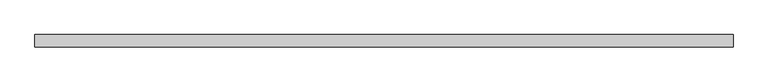
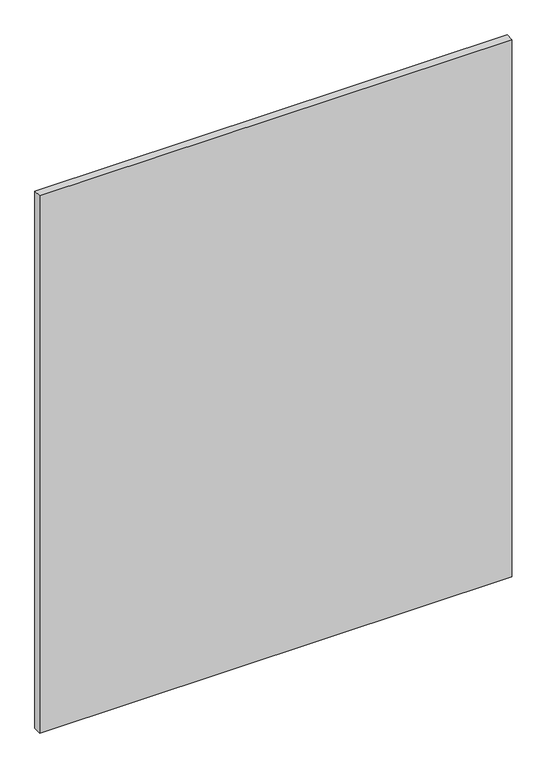
"""IFC4 building model written with IfcOpenShell, lengths in millimetres: plate geometry."""

from ifc_helpers import new_model, si_unit, origin, origin_with_axes, place, context, project, spatial, polyline, outline, extrude, source, transform, mapped, element, save


def plate_b3869f0a(model_context):
    return source(origin(), model_context, "Body", "SweptSolid", [
        extrude(outline(polyline([(732.1794629, -12.7), (-732.1794629, -12.7), (-732.1794629, 12.7), (732.1794629, 12.7), (732.1794629, -12.7)])), origin_with_axes(), (0.0, 0.0, 1.0), 1761.3),
    ])


if __name__ == "__main__":
    model = new_model("IFC4")
    model_context = context("Model", 3, world=origin())
    ifc_project = project(units=[si_unit("LENGTHUNIT", "METRE", prefix="MILLI")], contexts=[model_context])
    site = spatial("IfcSite", under=ifc_project)
    building = spatial("IfcBuilding", under=site)
    placement = place(None, origin())
    plate_shape = plate_b3869f0a(model_context)
    element("IfcPlate", 1, at=placement, inside=building, context=model_context, shape_type="MappedRepresentation", body=[
        mapped(plate_shape, transform((0.0, 0.0, 0.0), x_axis=(1.0, 0.0, 0.0), y_axis=(0.0, 1.0, 0.0), z_axis=(0.0, 0.0, 1.0))),
    ])
    save(model, "model.ifc")
